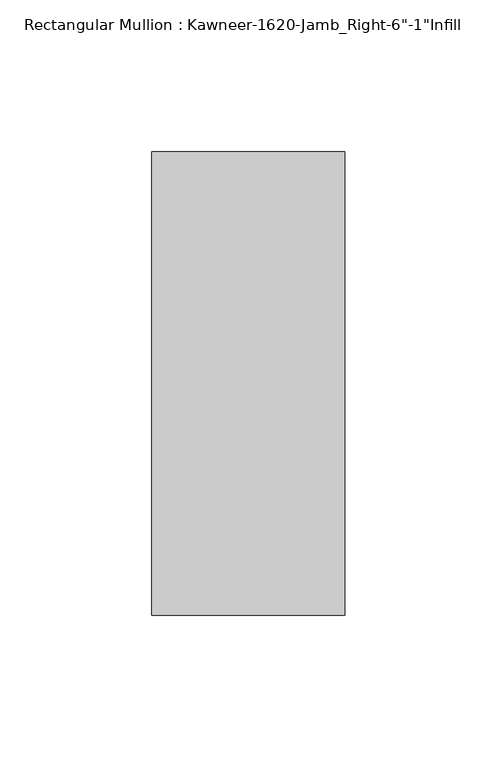
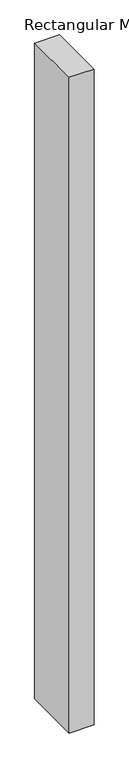
"""IFC4 building model written with IfcOpenShell, lengths in millimetres: member geometry."""

import ifcopenshell
import ifcopenshell.guid

model = None  # the IFC model being written
_history = None  # IfcOwnerHistory: only IFC2X3 demands one
_inside = {}  # id of a spatial element -> (the spatial element, [elements in it])
_under = {}  # id of a project, library or spatial element -> (it, [spatial elements below it])
_declared = {}  # id of a project -> (the project, [libraries it declares])
_typed = {}  # id of a type object -> (the type object, [elements of that type])
_made_of = {}  # id of a material, layer set ... -> (it, [elements and type objects made of it])


def new_model(schema):
    """Start an empty IFC model of exactly this schema.

    Asked for "IFC4X3", IfcOpenShell would pick the latest addendum, in which some entities
    have other attributes; the version numbers below select the first issue.
    IFC2X3 requires an IfcOwnerHistory on every rooted entity: one is made here for all.
    """
    global model, _history
    if schema == "IFC4X3":
        model = ifcopenshell.file(schema_version=(4, 3, 0, 0))
    else:
        model = ifcopenshell.file(schema=schema)
    _inside.clear()
    _under.clear()
    _declared.clear()
    _typed.clear()
    _made_of.clear()
    _history = None
    if model.schema == "IFC2X3":
        org = make("IfcOrganization", Name="unknown")
        user = make(
            "IfcPersonAndOrganization",
            ThePerson=make("IfcPerson", FamilyName="unknown"),
            TheOrganization=org,
        )
        app = make(
            "IfcApplication",
            ApplicationDeveloper=org,
            Version="unknown",
            ApplicationFullName="unknown",
            ApplicationIdentifier="unknown",
        )
        _history = make(
            "IfcOwnerHistory",
            OwningUser=user,
            OwningApplication=app,
            ChangeAction="ADDED",
            CreationDate=0,
        )
    return model


def make(cls, **values):
    """One entity of the class cls with the attributes given. An attribute that is None is left unset."""
    return model.create_entity(
        cls, **{name: value for name, value in values.items() if value is not None}
    )


def rooted(cls, **values):
    """An entity with a GlobalId (a new one), such as an element, a storey or a relation."""
    return make(cls, GlobalId=ifcopenshell.guid.new(), OwnerHistory=_history, **values)


def si_unit(unit_type, name, prefix=None):
    """IfcSIUnit, for example si_unit("LENGTHUNIT", "METRE", prefix="MILLI")."""
    return make("IfcSIUnit", UnitType=unit_type, Prefix=prefix, Name=name)


def assignment(units):
    """IfcUnitAssignment: the units of a project."""
    return None if units is None else make("IfcUnitAssignment", Units=units)


def point(xyz):
    """IfcCartesianPoint."""
    return None if xyz is None else make("IfcCartesianPoint", Coordinates=xyz)


def direction(xyz):
    """IfcDirection."""
    return None if xyz is None else make("IfcDirection", DirectionRatios=xyz)


def frame(location, z_axis=None, x_axis=None):
    """IfcAxis2Placement3D, a coordinate frame: its origin and axes. An axis left out is left unset."""
    return make(
        "IfcAxis2Placement3D",
        Location=point(location),
        Axis=direction(z_axis),
        RefDirection=direction(x_axis),
    )


def origin():
    """The frame at (0, 0, 0) with its axes left unset."""
    return frame((0.0, 0.0, 0.0))


def place(relative_to, where):
    """IfcLocalPlacement: puts the frame where relative to a parent placement (None: the world)."""
    return make(
        "IfcLocalPlacement", PlacementRelTo=relative_to, RelativePlacement=where
    )


def context(
    kind, dimensions, precision=None, world=None, true_north=None, identifier=None
):
    """IfcGeometricRepresentationContext, for example the 3D "Model" context."""
    return make(
        "IfcGeometricRepresentationContext",
        ContextIdentifier=identifier,
        ContextType=kind,
        CoordinateSpaceDimension=dimensions,
        Precision=precision,
        WorldCoordinateSystem=world,
        TrueNorth=true_north,
    )


def project(units=None, contexts=None):
    """IfcProject with its units and contexts."""
    return rooted(
        "IfcProject",
        Name="project",
        RepresentationContexts=contexts,
        UnitsInContext=assignment(units),
    )


def spatial(cls, under=None, at=None, **own):
    """A site, building, storey or space (cls), placed at a placement, below another one or the project."""
    s = rooted(cls, ObjectPlacement=at, **own)
    if under is not None:
        _under.setdefault(under.id(), (under, []))[1].append(s)
    return s


def polyline(points):
    """IfcPolyline through the points."""
    return make("IfcPolyline", Points=[point(p) for p in points])


def outline(outer, holes=None, kind="AREA"):
    """IfcArbitraryClosedProfileDef: a profile drawn as a closed curve; with holes, ...WithVoids."""
    if holes is None:
        return make("IfcArbitraryClosedProfileDef", ProfileType=kind, OuterCurve=outer)
    return make(
        "IfcArbitraryProfileDefWithVoids",
        ProfileType=kind,
        OuterCurve=outer,
        InnerCurves=holes,
    )


def extrude(swept, where, along, depth):
    """IfcExtrudedAreaSolid: the profile swept, set in the frame where, extruded along a direction by depth."""
    return make(
        "IfcExtrudedAreaSolid",
        SweptArea=swept,
        Position=where,
        ExtrudedDirection=direction(along),
        Depth=depth,
    )


def shape(context_of_items, identifier, shape_type, items):
    """IfcShapeRepresentation: the items that make up one representation, for example the "Body"."""
    return make(
        "IfcShapeRepresentation",
        ContextOfItems=context_of_items,
        RepresentationIdentifier=identifier,
        RepresentationType=shape_type,
        Items=items,
    )


def source(mapping_origin, context_of_items, identifier, shape_type, items):
    """IfcRepresentationMap: a shape defined once, which mapped items show again and again."""
    return make(
        "IfcRepresentationMap",
        MappingOrigin=mapping_origin,
        MappedRepresentation=shape(context_of_items, identifier, shape_type, items),
    )


def transform(
    local_origin,
    x_axis=None,
    y_axis=None,
    z_axis=None,
    scale=None,
    scale2=None,
    scale3=None,
    uniform=True,
):
    """IfcCartesianTransformationOperator3D, or its non-uniform kind. x_axis, y_axis, z_axis: its Axis1, 2, 3."""
    if uniform:
        return make(
            "IfcCartesianTransformationOperator3D",
            Axis1=direction(x_axis),
            Axis2=direction(y_axis),
            LocalOrigin=point(local_origin),
            Scale=scale,
            Axis3=direction(z_axis),
        )
    return make(
        "IfcCartesianTransformationOperator3DnonUniform",
        Axis1=direction(x_axis),
        Axis2=direction(y_axis),
        LocalOrigin=point(local_origin),
        Scale=scale,
        Axis3=direction(z_axis),
        Scale2=scale2,
        Scale3=scale3,
    )


def mapped(mapping_source, mapping_target):
    """IfcMappedItem: shows the shape of a source again, moved by a transform."""
    return make(
        "IfcMappedItem", MappingSource=mapping_source, MappingTarget=mapping_target
    )


def made_of(thing, what):
    """Note that an element or type object is made of a material, layer set ...; save() writes the relation."""
    if what is not None:
        _made_of.setdefault(what.id(), (what, []))[1].append(thing)
    return thing


def element(
    cls,
    number,
    at=None,
    inside=None,
    cuts=None,
    type_object=None,
    material=None,
    context=None,
    identifier="Body",
    shape_type=None,
    held_by="IfcProductDefinitionShape",
    body=None,
    shapes=None,
    **own,
):
    """One element of the class cls, such as IfcWall. Its Tag is "e" and its number.

    at: its placement. inside: the storey or other place that contains it. cuts: it is an
    opening in that element (IfcRelVoidsElement). A single representation is given by context,
    identifier, shape_type and body (its items); several are given by shapes. held_by: the class
    of the entity that holds the representations. save() writes the other relations.
    """
    e = rooted(cls, Tag="e%d" % number, ObjectPlacement=at, **own)
    if body is not None:
        shapes = [shape(context, identifier, shape_type, body)]
    if shapes is not None:
        e.Representation = make(held_by, Representations=shapes)
    if inside is not None:
        _inside.setdefault(inside.id(), (inside, []))[1].append(e)
    if cuts is not None:
        rooted(
            "IfcRelVoidsElement", RelatingBuildingElement=cuts, RelatedOpeningElement=e
        )
    if type_object is not None:
        _typed.setdefault(type_object.id(), (type_object, []))[1].append(e)
    return made_of(e, material)


def aggregate(whole, parts):
    """IfcRelAggregates: a whole, such as a stair, and the parts it consists of."""
    return rooted("IfcRelAggregates", RelatingObject=whole, RelatedObjects=parts)


def save(model, path):
    """Write the relations noted so far, then the file.

    IfcRelAggregates (storeys below a building ...), IfcRelContainedInSpatialStructure (elements
    in a storey), IfcRelDefinesByType, IfcRelAssociatesMaterial and IfcRelDeclares: one each for
    every whole, place, type object, material and project.
    """
    for whole, parts in _under.values():
        aggregate(whole, parts)
    for where, things in _inside.values():
        rooted(
            "IfcRelContainedInSpatialStructure",
            RelatedElements=things,
            RelatingStructure=where,
        )
    for kind, things in _typed.values():
        rooted("IfcRelDefinesByType", RelatedObjects=things, RelatingType=kind)
    for what, things in _made_of.values():
        rooted("IfcRelAssociatesMaterial", RelatedObjects=things, RelatingMaterial=what)
    for by, libraries in _declared.values():
        rooted("IfcRelDeclares", RelatingContext=by, RelatedDefinitions=libraries)
    model.write(path)


def member_8a614328(model_context):
    return source(origin(), model_context, "Body", "SweptSolid", [
        extrude(outline(polyline([(-22.225, 38.1), (41.275, 38.1), (41.275, -114.3), (-22.225, -114.3), (-22.225, 38.1)])), frame((0.0, 0.0, -1765.3), z_axis=(0.0, 0.0, 1.0), x_axis=(1.0, 0.0, 0.0)), (0.0, 0.0, 1.0), 1765.3),
    ])


if __name__ == "__main__":
    model = new_model("IFC4")
    model_context = context("Model", 3, world=origin())
    ifc_project = project(units=[si_unit("LENGTHUNIT", "METRE", prefix="MILLI")], contexts=[model_context])
    site = spatial("IfcSite", under=ifc_project)
    building = spatial("IfcBuilding", under=site)
    placement = place(None, origin())
    member_shape = member_8a614328(model_context)
    element("IfcMember", 1, ObjectType="Rectangular Mullion : Kawneer-1620-Jamb_Right-6\"-1\"Infill", at=placement, inside=building, context=model_context, shape_type="MappedRepresentation", body=[
        mapped(member_shape, transform((0.0, 0.0, 0.0), x_axis=(1.0, 0.0, 0.0), y_axis=(0.0, 1.0, 0.0), z_axis=(0.0, 0.0, 1.0))),
    ])
    save(model, "model.ifc")
